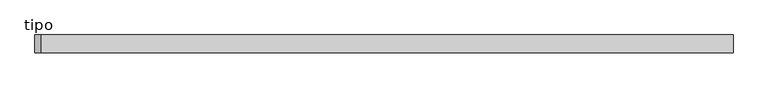
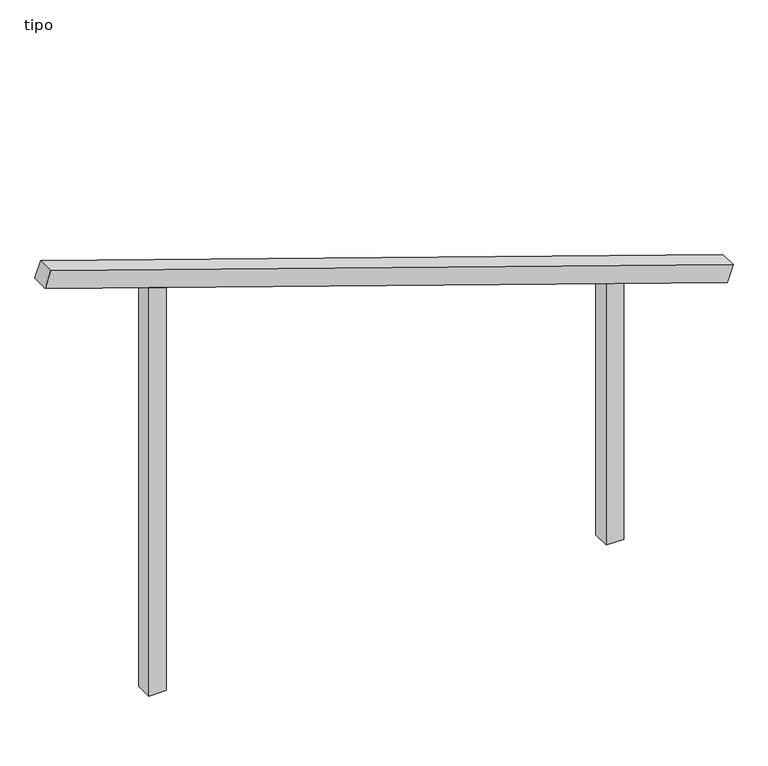
"""IFC4 building model written with IfcOpenShell, lengths in millimetres: proxy geometry, tipo."""

from ifc_helpers import new_model, si_unit, frame, origin, place, context, project, spatial, polyline, outline, extrude, source, transform, mapped, element, save


def tipo_cc36be1a(model_context):
    return source(origin(), model_context, "Body", "SweptSolid", [
        extrude(outline(polyline([(0.0, -4100.0000001), (0.0, 0.0), (100.0, 0.0), (100.0, -4100.0000001), (0.0, -4100.0000001)])), frame((-1940.4532734, -100.0, 2661.1664646), z_axis=(0.3225202266324045, 0.0, 0.9465625723706714), x_axis=(0.0, 1.0, 0.0)), (0.0, 0.0, 1.0), 100.0),
        extrude(outline(polyline([(1540.0174076, 1350.0), (1574.0901922, 1250.0), (0.0, 1250.0), (0.0, 1350.0), (1540.0174076, 1350.0)])), frame((0.0, -100.0, 0.0), z_axis=(0.0, 1.0, 0.0), x_axis=(0.0, 0.0, 1.0)), (0.0, 0.0, 1.0), 100.0),
        extrude(outline(polyline([(2459.9825924, -1350.0), (0.0, -1350.0), (0.0, -1250.0), (2425.9098078, -1250.0), (2459.9825924, -1350.0)])), frame((0.0, -100.0, 0.0), z_axis=(0.0, 1.0, 0.0), x_axis=(0.0, 0.0, 1.0)), (0.0, 0.0, 1.0), 100.0),
    ])


if __name__ == "__main__":
    model = new_model("IFC4")
    model_context = context("Model", 3, world=origin())
    ifc_project = project(units=[si_unit("LENGTHUNIT", "METRE", prefix="MILLI")], contexts=[model_context])
    site = spatial("IfcSite", under=ifc_project)
    building = spatial("IfcBuilding", under=site)
    placement = place(None, origin())
    tipo_shape = tipo_cc36be1a(model_context)
    element("IfcBuildingElementProxy", 1, Name="tipo", ObjectType="tipo", at=placement, inside=building, context=model_context, shape_type="MappedRepresentation", body=[
        mapped(tipo_shape, transform((0.0, 0.0, 0.0), x_axis=(1.0, 0.0, 0.0), y_axis=(0.0, 1.0, 0.0), z_axis=(0.0, 0.0, 1.0))),
    ])
    save(model, "model.ifc")
